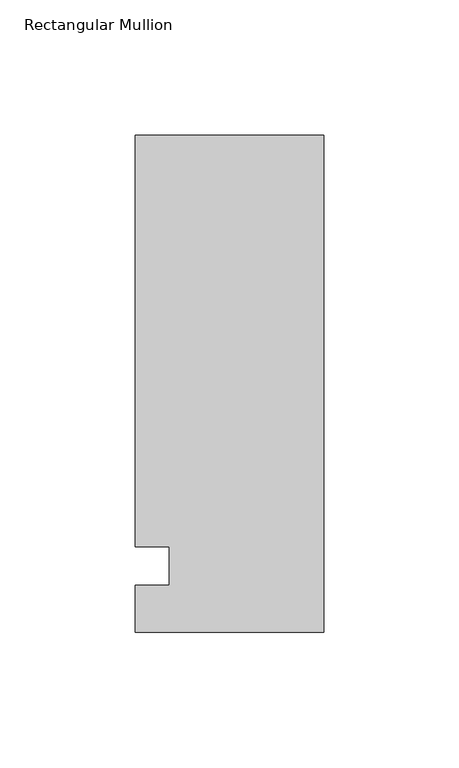
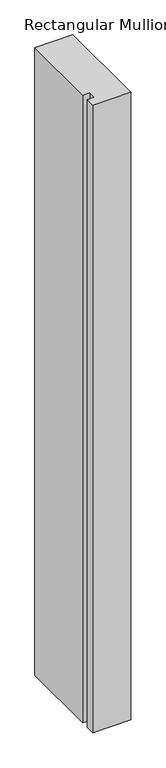
"""IFC4 building model written with IfcOpenShell, lengths in millimetres: member geometry, Rectangular Mullion."""

from ifc_helpers import new_model, si_unit, frame, origin, place, context, project, spatial, polyline, outline, extrude, source, transform, mapped, element, save


def rectangular_mullion_67b774d8(model_context):
    return source(origin(), model_context, "Body", "SweptSolid", [
        extrude(outline(polyline([(-69.85, 159.54375), (0.0, 159.54375), (0.0, -24.60625), (-69.85, -24.60625), (-69.85, -7.14375), (-57.1482296, -7.14375), (-57.1482296, 7.14375), (-69.85, 7.14375), (-69.85, 159.54375)])), frame((0.0, 0.0, -1219.2), z_axis=(0.0, 0.0, 1.0), x_axis=(1.0, 0.0, 0.0)), (0.0, 0.0, 1.0), 1219.2),
    ])


if __name__ == "__main__":
    model = new_model("IFC4")
    model_context = context("Model", 3, world=origin())
    ifc_project = project(units=[si_unit("LENGTHUNIT", "METRE", prefix="MILLI")], contexts=[model_context])
    site = spatial("IfcSite", under=ifc_project)
    building = spatial("IfcBuilding", under=site)
    placement = place(None, origin())
    rectangular_mullion_shape = rectangular_mullion_67b774d8(model_context)
    element("IfcMember", 1, ObjectType="Rectangular Mullion", at=placement, inside=building, context=model_context, shape_type="MappedRepresentation", body=[
        mapped(rectangular_mullion_shape, transform((0.0, 0.0, 0.0), x_axis=(1.0, 0.0, 0.0), y_axis=(0.0, 1.0, 0.0), z_axis=(0.0, 0.0, 1.0))),
    ])
    save(model, "model.ifc")
